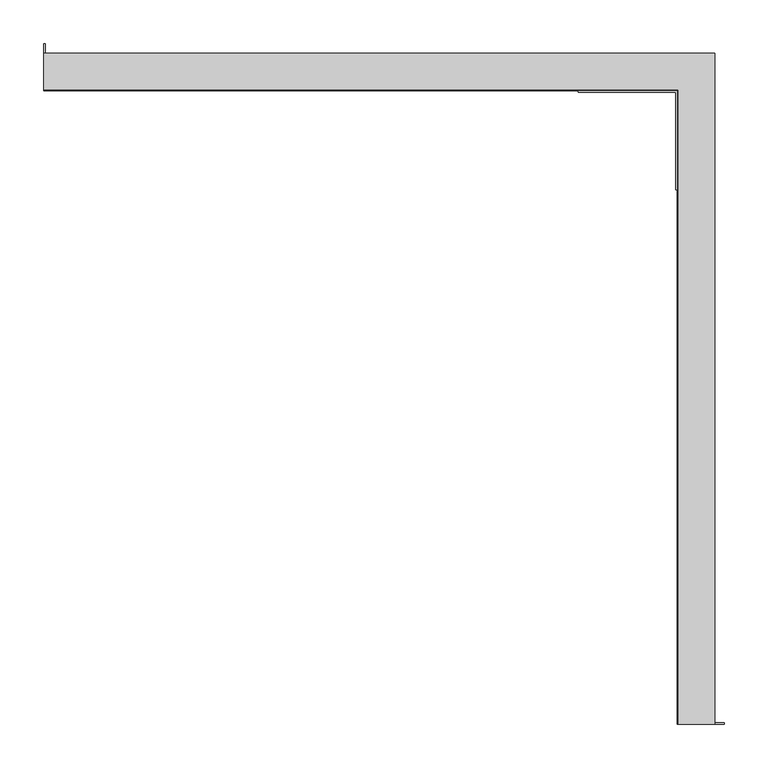
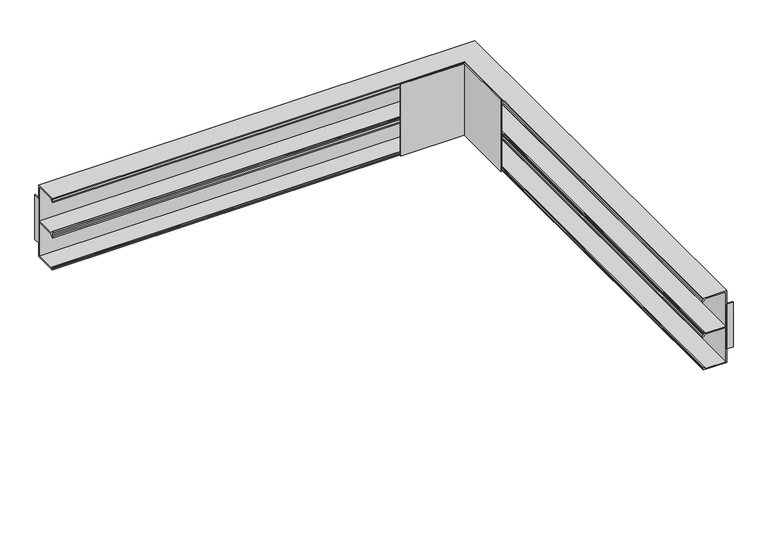
"""IFC4 building model written with IfcOpenShell, lengths in millimetres: furniture geometry."""

from ifc_helpers import new_model, si_unit, frame, origin, place, context, project, spatial, polyline, outline, extrude, faceted_brep, source, transform, mapped, element, save


def furniture_7d3779b7(model_context):
    return source(origin(), model_context, "Body", "SolidModel", [
        extrude(outline(polyline([(266.2176008, 52.3750008), (266.2176008, -60.3504042), (264.6180012, -60.3504042), (264.6180012, 50.7748008), (153.5183873, 50.7748008), (153.5183873, 52.3750008), (266.2176008, 52.3750008)])), frame((0.0, 0.0, 958.85), z_axis=(0.0, 0.0, 1.0), x_axis=(1.0, 0.0, 0.0)), (0.0, 0.0, 1.0), 133.35),
        extrude(outline(polyline([(320.14241, -669.4551), (320.14241, -671.0426), (309.0926, -671.0426), (309.0926, -669.4551), (320.14241, -669.4551)])), frame((0.0, 0.0, 983.9027352), z_axis=(0.0, 0.0, 1.0), x_axis=(1.0, 0.0, 0.0)), (0.0, 0.0, 1.0), 83.2445313),
        extrude(outline(polyline([(-455.6125, 106.29981), (-455.6125, 95.25), (-457.2, 95.25), (-457.2, 106.29981), (-455.6125, 106.29981)])), frame((0.0, 0.0, 983.9027352), z_axis=(0.0, 0.0, 1.0), x_axis=(1.0, 0.0, 0.0)), (0.0, 0.0, 1.0), 83.2445313),
        faceted_brep([(-457.2, 93.2690163, 1024.5351077), (-457.2, 58.3580658, 1024.5351077), (-457.2, 53.1973343, 1019.7853067), (-457.2, 52.3750008, 1019.7853067), (-457.2, 52.3750008, 1021.8935084), (-457.2, 55.2451744, 1024.5351077), (-457.2, 53.949614, 1024.5351077), (-457.2, 53.949614, 1026.5163049), (-457.2, 55.2451744, 1026.5163049), (-457.2, 52.3750008, 1029.1579087), (-457.2, 52.3750008, 1031.2661058), (-457.2, 53.1973343, 1031.2661058), (-457.2, 58.3580658, 1026.514894), (-457.2, 93.2690163, 1026.514894), (-457.2, 93.2690163, 1090.2188), (-457.2, 58.3580658, 1090.2188), (-457.2, 53.1973343, 1085.4690002), (-457.2, 52.3750008, 1085.4690002), (-457.2, 52.3750008, 1087.5772001), (-457.2, 55.2451744, 1090.2188), (-457.2, 53.949614, 1090.2188), (-457.2, 53.949614, 1092.2), (-457.2, 95.25, 1092.2), (-457.2, 95.25, 958.85), (-457.2, 53.949614, 958.85), (-457.2, 53.949614, 960.8312017), (-457.2, 55.2451744, 960.8312017), (-457.2, 52.3750008, 963.472801), (-457.2, 52.3750008, 965.5810027), (-457.2, 53.1973343, 965.5810027), (-457.2, 58.3580658, 960.8312017), (-457.2, 93.2690163, 960.8312017), (307.1116163, 93.2690163, 1024.5351077), (307.1116163, -671.0426, 1024.5351077), (272.2006658, -671.0426, 1024.5351077), (272.2006658, 58.3580658, 1024.5351077), (267.0399343, 53.1973343, 1019.7853067), (267.0399343, -671.0426, 1019.7853067), (266.2176008, -671.0426, 1019.7853067), (266.2176008, 52.3750008, 1019.7853067), (266.2176008, 52.3750008, 1021.8935084), (269.0877744, 55.2451744, 1024.5351077), (269.0877744, -671.0426, 1024.5351077), (267.792214, -671.0426, 1024.5351077), (267.792214, 53.949614, 1024.5351077), (267.792214, 53.949614, 1026.5163049), (267.792214, -671.0426, 1026.5163049), (269.0877744, -671.0426, 1026.5163049), (269.0877744, 55.2451744, 1026.5163049), (266.2176008, 52.3750008, 1029.1579087), (266.2176008, 52.3750008, 1031.2661058), (266.2176008, -671.0426, 1031.2661058), (267.0399343, -671.0426, 1031.2661058), (267.0399343, 53.1973343, 1031.2661058), (272.2006658, 58.3580658, 1026.514894), (272.2006658, -671.0426, 1026.514894), (307.1116163, -671.0426, 1026.514894), (307.1116163, 93.2690163, 1026.514894), (307.1116163, -671.0426, 960.8312017), (272.2006658, -671.0426, 960.8312017), (267.0399343, -671.0426, 965.5810027), (266.2176008, -671.0426, 965.5810027), (266.2176008, -671.0426, 963.472801), (269.0877744, -671.0426, 960.8312017), (267.792214, -671.0426, 960.8312017), (267.792214, -671.0426, 958.85), (309.0926, -671.0426, 958.85), (309.0926, -671.0426, 1092.2), (267.792214, -671.0426, 1092.2), (267.792214, -671.0426, 1090.2188), (269.0877744, -671.0426, 1090.2188), (266.2176008, -671.0426, 1087.5772001), (266.2176008, -671.0426, 1085.4690002), (267.0399343, -671.0426, 1085.4690002), (272.2006658, -671.0426, 1090.2188), (307.1116163, -671.0426, 1090.2188), (266.2176008, -671.0426, 1029.1579087), (266.2176008, -671.0426, 1021.8935084), (307.1116163, 93.2690163, 1090.2188), (272.2006658, 58.3580658, 1090.2188), (267.0399343, 53.1973343, 1085.4690002), (266.2176008, 52.3750008, 1085.4690002), (266.2176008, 52.3750008, 1087.5772001), (269.0877744, 55.2451744, 1090.2188), (267.792214, 53.949614, 1090.2188), (267.792214, 53.949614, 1092.2), (309.0926, 95.25, 1092.2), (309.0926, 95.25, 958.85), (267.792214, 53.949614, 958.85), (267.792214, 53.949614, 960.8312017), (269.0877744, 55.2451744, 960.8312017), (266.2176008, 52.3750008, 963.472801), (266.2176008, 52.3750008, 965.5810027), (267.0399343, 53.1973343, 965.5810027), (272.2006658, 58.3580658, 960.8312017), (307.1116163, 93.2690163, 960.8312017)], [[[0, 1, 2, 3, 4, 5, 6, 7, 8, 9, 10, 11, 12, 13, 14, 15, 16, 17, 18, 19, 20, 21, 22, 23, 24, 25, 26, 27, 28, 29, 30, 31]], [[1, 0, 32, 33, 34, 35]], [[2, 1, 35, 36]], [[3, 2, 36, 37, 38, 39]], [[4, 3, 39, 40]], [[5, 4, 40, 41]], [[6, 5, 41, 42, 43, 44]], [[7, 6, 44, 45]], [[8, 7, 45, 46, 47, 48]], [[9, 8, 48, 49]], [[10, 9, 49, 50]], [[11, 10, 50, 51, 52, 53]], [[12, 11, 53, 54]], [[13, 12, 54, 55, 56, 57]], [[33, 58, 59, 60, 61, 62, 63, 64, 65, 66, 67, 68, 69, 70, 71, 72, 73, 74, 75, 56, 55, 52, 51, 76, 47, 46, 43, 42, 77, 38, 37, 34]], [[36, 35, 34, 37]], [[40, 39, 38, 77]], [[41, 40, 77, 42]], [[45, 44, 43, 46]], [[49, 48, 47, 76]], [[50, 49, 76, 51]], [[54, 53, 52, 55]], [[14, 13, 57, 78]], [[15, 14, 78, 75, 74, 79]], [[16, 15, 79, 80]], [[17, 16, 80, 73, 72, 81]], [[18, 17, 81, 82]], [[19, 18, 82, 83]], [[20, 19, 83, 70, 69, 84]], [[21, 20, 84, 85]], [[22, 21, 85, 68, 67, 86]], [[23, 22, 86, 87]], [[24, 23, 87, 66, 65, 88]], [[25, 24, 88, 89]], [[26, 25, 89, 64, 63, 90]], [[27, 26, 90, 91]], [[28, 27, 91, 92]], [[29, 28, 92, 61, 60, 93]], [[30, 29, 93, 94]], [[31, 30, 94, 59, 58, 95]], [[0, 31, 95, 32]], [[78, 57, 56, 75]], [[80, 79, 74, 73]], [[82, 81, 72, 71]], [[83, 82, 71, 70]], [[85, 84, 69, 68]], [[87, 86, 67, 66]], [[89, 88, 65, 64]], [[91, 90, 63, 62]], [[92, 91, 62, 61]], [[94, 93, 60, 59]], [[32, 95, 58, 33]]]),
    ])


if __name__ == "__main__":
    model = new_model("IFC4")
    model_context = context("Model", 3, world=origin())
    ifc_project = project(units=[si_unit("LENGTHUNIT", "METRE", prefix="MILLI")], contexts=[model_context])
    site = spatial("IfcSite", under=ifc_project)
    building = spatial("IfcBuilding", under=site)
    placement = place(None, origin())
    furniture_shape = furniture_7d3779b7(model_context)
    element("IfcFurniture", 1, at=placement, inside=building, context=model_context, shape_type="MappedRepresentation", body=[
        mapped(furniture_shape, transform((0.0, 0.0, 0.0), x_axis=(1.0, 0.0, 0.0), y_axis=(0.0, 1.0, 0.0), z_axis=(0.0, 0.0, 1.0))),
    ])
    save(model, "model.ifc")
